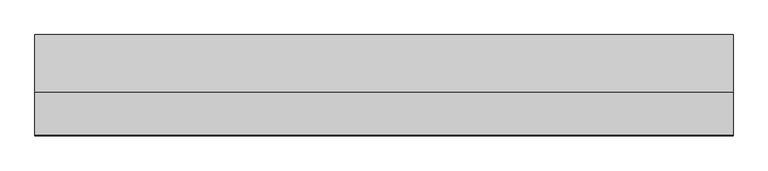
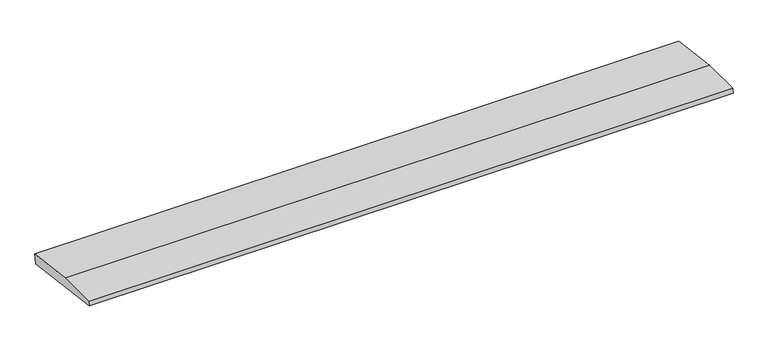
"""IFC4 building model written with IfcOpenShell, lengths in millimetres: beam geometry."""

from ifc_helpers import new_model, si_unit, frame, origin, place, context, project, spatial, polyline, outline, extrude, source, transform, mapped, element, save


def beam_6bf42582(model_context):
    return source(origin(), model_context, "Body", "SweptSolid", [
        extrude(outline(polyline([(0.0, -9.143159), (1.1226388, 0.0), (79.0749747, 0.0), (180.9387048, -12.5072934), (178.6231873, -31.3656703), (0.0, -9.143159)])), frame((-621.829283, 0.0, 0.0), z_axis=(1.0, 0.0, 0.0), x_axis=(0.0, 1.0, 0.0)), (0.0, 0.0, 1.0), 1243.658566),
    ])


if __name__ == "__main__":
    model = new_model("IFC4")
    model_context = context("Model", 3, world=origin())
    ifc_project = project(units=[si_unit("LENGTHUNIT", "METRE", prefix="MILLI")], contexts=[model_context])
    site = spatial("IfcSite", under=ifc_project)
    building = spatial("IfcBuilding", under=site)
    placement = place(None, origin())
    beam_shape = beam_6bf42582(model_context)
    element("IfcBeam", 1, at=placement, inside=building, context=model_context, shape_type="MappedRepresentation", body=[
        mapped(beam_shape, transform((0.0, 0.0, 0.0), x_axis=(1.0, 0.0, 0.0), y_axis=(0.0, 1.0, 0.0), z_axis=(0.0, 0.0, 1.0))),
    ])
    save(model, "model.ifc")
